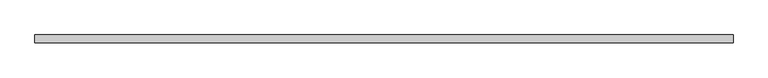
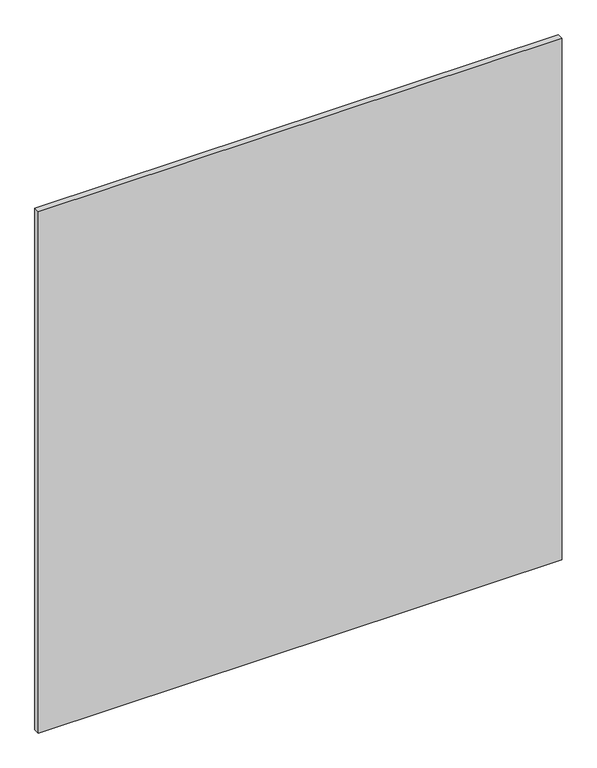
"""IFC4 building model written with IfcOpenShell, lengths in millimetres: plate geometry."""

from ifc_helpers import new_model, si_unit, origin, origin_with_axes, place, context, project, spatial, polyline, outline, extrude, source, transform, mapped, element, save


def plate_2d4c54d6(model_context):
    return source(origin(), model_context, "Body", "SweptSolid", [
        extrude(outline(polyline([(837.1354352, -9.525), (-837.1354352, -9.525), (-837.1354352, 9.525), (837.1354352, 9.525), (837.1354352, -9.525)])), origin_with_axes(), (0.0, 0.0, 1.0), 1761.3),
    ])


if __name__ == "__main__":
    model = new_model("IFC4")
    model_context = context("Model", 3, world=origin())
    ifc_project = project(units=[si_unit("LENGTHUNIT", "METRE", prefix="MILLI")], contexts=[model_context])
    site = spatial("IfcSite", under=ifc_project)
    building = spatial("IfcBuilding", under=site)
    placement = place(None, origin())
    plate_shape = plate_2d4c54d6(model_context)
    element("IfcPlate", 1, at=placement, inside=building, context=model_context, shape_type="MappedRepresentation", body=[
        mapped(plate_shape, transform((0.0, 0.0, 0.0), x_axis=(1.0, 0.0, 0.0), y_axis=(0.0, 1.0, 0.0), z_axis=(0.0, 0.0, 1.0))),
    ])
    save(model, "model.ifc")
